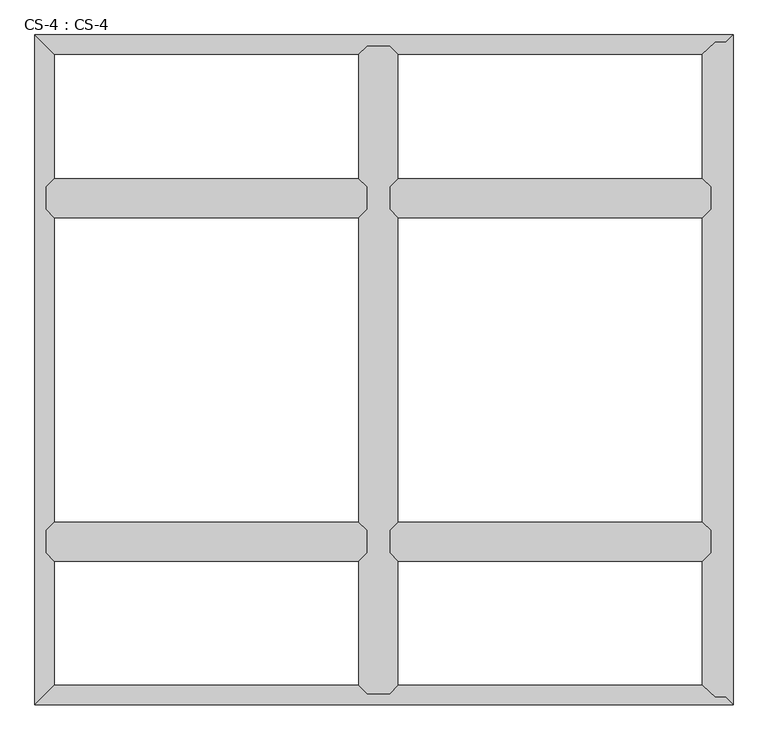
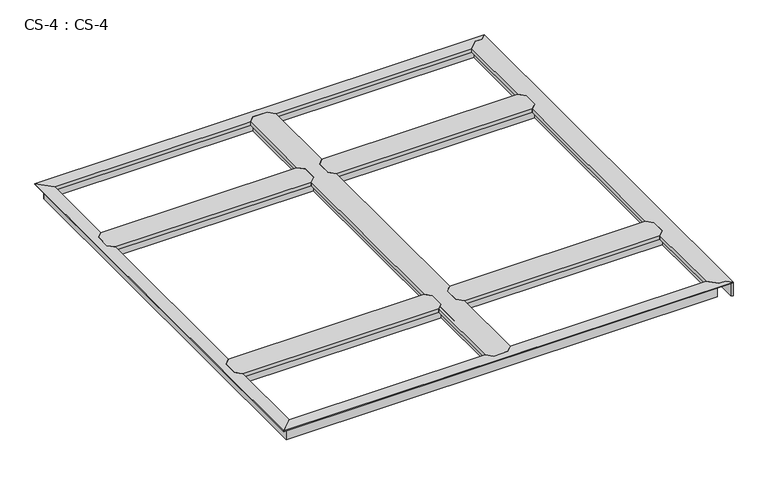
"""IFC4 building model written with IfcOpenShell, lengths in millimetres: proxy geometry, CS-4 : CS-4."""

from ifc_helpers import new_model, si_unit, origin, place, context, project, spatial, faceted_brep, source, transform, mapped, element, save


def cs_4_cs_4_25bfb79a(model_context):
    return source(origin(), model_context, "Body", "Brep", [
        faceted_brep([(1049.02, 1948.18, 46.355), (1049.02, 1948.18, 0.0), (1042.035, 1948.18, 0.0), (1042.035, 1948.18, 63.5), (989.965, 1948.18, 63.5), (989.965, 1948.18, 0.0), (982.98, 1948.18, 0.0), (982.98, 1948.18, 46.355), (982.98, 1948.18, 66.675), (1049.02, 1948.18, 66.675), (982.98, 33.02, 46.355), (982.98, 33.02, 0.0), (989.965, 33.02, 0.0), (989.965, 33.02, 63.5), (1042.035, 33.02, 63.5), (1042.035, 33.02, 0.0), (1049.02, 33.02, 0.0), (1049.02, 33.02, 46.355), (1049.02, 33.02, 66.675), (982.98, 33.02, 66.675), (958.342, 57.658, 49.8094), (958.342, 57.658, 66.675), (958.342, 424.942, 66.675), (958.342, 424.942, 49.8094), (958.342, 1923.542, 66.675), (958.342, 1923.542, 49.8094), (958.342, 1556.258, 49.8094), (958.342, 1556.258, 66.675), (958.342, 540.258, 49.8094), (958.342, 540.258, 66.675), (958.342, 1440.942, 66.675), (958.342, 1440.942, 49.8094), (959.866, 56.134, 49.8094), (959.866, 426.466, 49.8094), (959.866, 1925.066, 49.8094), (959.866, 1554.734, 49.8094), (959.866, 538.734, 49.8094), (959.866, 1442.466, 49.8094), (959.866, 56.134, 64.643), (959.866, 426.466, 64.643), (959.866, 1925.066, 64.643), (959.866, 1554.734, 64.643), (959.866, 538.734, 64.643), (959.866, 1442.466, 64.643), (970.153, 45.847, 64.643), (970.153, 436.753, 64.643), (970.153, 1935.353, 64.643), (970.153, 1544.447, 64.643), (970.153, 528.447, 64.643), (970.153, 1452.753, 64.643), (970.153, 45.847, 46.355), (970.153, 436.753, 46.355), (970.153, 1935.353, 46.355), (970.153, 1544.447, 46.355), (970.153, 528.447, 46.355), (970.153, 1452.753, 46.355), (982.98, 449.58, 46.355), (982.98, 1531.62, 46.355), (982.98, 515.62, 46.355), (982.98, 1465.58, 46.355), (982.98, 449.58, 66.675), (982.98, 515.62, 66.675), (982.98, 1465.58, 66.675), (982.98, 1531.62, 66.675), (1049.02, 1531.62, 46.355), (1049.02, 1531.62, 66.675), (1049.02, 1465.58, 66.675), (1049.02, 1465.58, 46.355), (1049.02, 515.62, 46.355), (1049.02, 515.62, 66.675), (1049.02, 449.58, 66.675), (1049.02, 449.58, 46.355), (1061.847, 45.847, 46.355), (1061.847, 436.753, 46.355), (1061.847, 1935.353, 46.355), (1061.847, 1544.447, 46.355), (1061.847, 528.447, 46.355), (1061.847, 1452.753, 46.355), (1061.847, 45.847, 64.643), (1061.847, 436.753, 64.643), (1061.847, 1935.353, 64.643), (1061.847, 1544.447, 64.643), (1061.847, 528.447, 64.643), (1061.847, 1452.753, 64.643), (1072.134, 56.134, 64.643), (1072.134, 426.466, 64.643), (1072.134, 1925.066, 64.643), (1072.134, 1554.734, 64.643), (1072.134, 538.734, 64.643), (1072.134, 1442.466, 64.643), (1072.134, 56.134, 49.8094), (1072.134, 426.466, 49.8094), (1072.134, 1925.066, 49.8094), (1072.134, 1554.734, 49.8094), (1072.134, 538.734, 49.8094), (1072.134, 1442.466, 49.8094), (1073.658, 57.658, 49.8094), (1073.658, 424.942, 49.8094), (1073.658, 1923.542, 49.8094), (1073.658, 1556.258, 49.8094), (1073.658, 540.258, 49.8094), (1073.658, 1440.942, 49.8094), (1073.658, 57.658, 66.675), (1073.658, 424.942, 66.675), (1073.658, 1923.542, 66.675), (1073.658, 1556.258, 66.675), (1073.658, 540.258, 66.675), (1073.658, 1440.942, 66.675)], [[[0, 1, 2, 3, 4, 5, 6, 7, 8, 9]], [[10, 11, 12, 13, 14, 15, 16, 17, 18, 19]], [[20, 21, 22, 23]], [[24, 25, 26, 27]], [[28, 29, 30, 31]], [[32, 20, 23, 33]], [[25, 34, 35, 26]], [[36, 28, 31, 37]], [[38, 32, 33, 39]], [[34, 40, 41, 35]], [[42, 36, 37, 43]], [[44, 38, 39, 45]], [[40, 46, 47, 41]], [[48, 42, 43, 49]], [[50, 44, 45, 51]], [[46, 52, 53, 47]], [[54, 48, 49, 55]], [[10, 50, 51, 56]], [[52, 7, 57, 53]], [[58, 54, 55, 59]], [[7, 6, 11, 10, 56, 60, 61, 58, 59, 62, 63, 57]], [[6, 5, 12, 11]], [[5, 4, 13, 12]], [[4, 3, 14, 13]], [[3, 2, 15, 14]], [[2, 1, 16, 15]], [[1, 0, 64, 65, 66, 67, 68, 69, 70, 71, 17, 16]], [[72, 17, 71, 73]], [[0, 74, 75, 64]], [[76, 68, 67, 77]], [[78, 72, 73, 79]], [[74, 80, 81, 75]], [[82, 76, 77, 83]], [[84, 78, 79, 85]], [[80, 86, 87, 81]], [[88, 82, 83, 89]], [[90, 84, 85, 91]], [[86, 92, 93, 87]], [[94, 88, 89, 95]], [[96, 90, 91, 97]], [[92, 98, 99, 93]], [[100, 94, 95, 101]], [[102, 96, 97, 103]], [[98, 104, 105, 99]], [[106, 100, 101, 107]], [[9, 8, 24, 27, 63, 62, 30, 29, 61, 60, 22, 21, 19, 18, 102, 103, 70, 69, 106, 107, 66, 65, 105, 104]], [[10, 19, 21, 20, 32, 38, 44, 50]], [[18, 17, 72, 78, 84, 90, 96, 102]], [[0, 9, 104, 98, 92, 86, 80, 74]], [[8, 7, 52, 46, 40, 34, 25, 24]], [[60, 56, 51, 45, 39, 33, 23, 22]], [[58, 61, 29, 28, 36, 42, 48, 54]], [[62, 59, 55, 49, 43, 37, 31, 30]], [[57, 63, 27, 26, 35, 41, 47, 53]], [[69, 68, 76, 82, 88, 94, 100, 106]], [[71, 70, 103, 97, 91, 85, 79, 73]], [[65, 64, 75, 81, 87, 93, 99, 105]], [[67, 66, 107, 101, 95, 89, 83, 77]]]),
        faceted_brep([(1998.98, 449.58, 46.355), (1998.98, 449.58, 0.0), (1998.98, 456.565, 0.0), (1998.98, 456.565, 63.5), (1998.98, 508.635, 63.5), (1998.98, 508.635, 0.0), (1998.98, 515.62, 0.0), (1998.98, 515.62, 46.355), (1998.98, 515.62, 66.675), (1998.98, 449.58, 66.675), (1049.02, 515.62, 46.355), (1049.02, 515.62, 0.0), (1049.02, 508.635, 0.0), (1049.02, 508.635, 63.5), (1049.02, 456.565, 63.5), (1049.02, 456.565, 0.0), (1049.02, 449.58, 0.0), (1049.02, 449.58, 46.355), (1049.02, 449.58, 66.675), (1049.02, 515.62, 66.675), (1073.658, 540.258, 66.675), (1974.342, 540.258, 66.675), (1974.342, 540.258, 49.8094), (1073.658, 540.258, 49.8094), (1975.866, 538.734, 49.8094), (1072.134, 538.734, 49.8094), (1975.866, 538.734, 64.643), (1072.134, 538.734, 64.643), (1986.153, 528.447, 64.643), (1061.847, 528.447, 64.643), (1986.153, 528.447, 46.355), (1061.847, 528.447, 46.355), (1986.153, 436.753, 46.355), (1061.847, 436.753, 46.355), (1986.153, 436.753, 64.643), (1061.847, 436.753, 64.643), (1975.866, 426.466, 64.643), (1072.134, 426.466, 64.643), (1975.866, 426.466, 49.8094), (1072.134, 426.466, 49.8094), (1974.342, 424.942, 49.8094), (1073.658, 424.942, 49.8094), (1974.342, 424.942, 66.675), (1073.658, 424.942, 66.675)], [[[0, 1, 2, 3, 4, 5, 6, 7, 8, 9]], [[10, 11, 12, 13, 14, 15, 16, 17, 18, 19]], [[20, 21, 22, 23]], [[23, 22, 24, 25]], [[25, 24, 26, 27]], [[27, 26, 28, 29]], [[29, 28, 30, 31]], [[7, 10, 31, 30]], [[7, 6, 11, 10]], [[6, 5, 12, 11]], [[5, 4, 13, 12]], [[4, 3, 14, 13]], [[3, 2, 15, 14]], [[2, 1, 16, 15]], [[1, 0, 17, 16]], [[17, 0, 32, 33]], [[33, 32, 34, 35]], [[35, 34, 36, 37]], [[37, 36, 38, 39]], [[39, 38, 40, 41]], [[41, 40, 42, 43]], [[9, 8, 21, 20, 19, 18, 43, 42]], [[10, 19, 20, 23, 25, 27, 29, 31]], [[18, 17, 33, 35, 37, 39, 41, 43]], [[0, 9, 42, 40, 38, 36, 34, 32]], [[8, 7, 30, 28, 26, 24, 22, 21]]]),
        faceted_brep([(1998.98, 1465.58, 46.355), (1998.98, 1465.58, 0.0), (1998.98, 1472.565, 0.0), (1998.98, 1472.565, 63.5), (1998.98, 1524.635, 63.5), (1998.98, 1524.635, 0.0), (1998.98, 1531.62, 0.0), (1998.98, 1531.62, 46.355), (1998.98, 1531.62, 66.675), (1998.98, 1465.58, 66.675), (1049.02, 1531.62, 46.355), (1049.02, 1531.62, 0.0), (1049.02, 1524.635, 0.0), (1049.02, 1524.635, 63.5), (1049.02, 1472.565, 63.5), (1049.02, 1472.565, 0.0), (1049.02, 1465.58, 0.0), (1049.02, 1465.58, 46.355), (1049.02, 1465.58, 66.675), (1049.02, 1531.62, 66.675), (1073.658, 1556.258, 66.675), (1974.342, 1556.258, 66.675), (1974.342, 1556.258, 49.8094), (1073.658, 1556.258, 49.8094), (1975.866, 1554.734, 49.8094), (1072.134, 1554.734, 49.8094), (1975.866, 1554.734, 64.643), (1072.134, 1554.734, 64.643), (1986.153, 1544.447, 64.643), (1061.847, 1544.447, 64.643), (1986.153, 1544.447, 46.355), (1061.847, 1544.447, 46.355), (1986.153, 1452.753, 46.355), (1061.847, 1452.753, 46.355), (1986.153, 1452.753, 64.643), (1061.847, 1452.753, 64.643), (1975.866, 1442.466, 64.643), (1072.134, 1442.466, 64.643), (1975.866, 1442.466, 49.8094), (1072.134, 1442.466, 49.8094), (1974.342, 1440.942, 49.8094), (1073.658, 1440.942, 49.8094), (1974.342, 1440.942, 66.675), (1073.658, 1440.942, 66.675)], [[[0, 1, 2, 3, 4, 5, 6, 7, 8, 9]], [[10, 11, 12, 13, 14, 15, 16, 17, 18, 19]], [[20, 21, 22, 23]], [[23, 22, 24, 25]], [[25, 24, 26, 27]], [[27, 26, 28, 29]], [[29, 28, 30, 31]], [[7, 10, 31, 30]], [[7, 6, 11, 10]], [[6, 5, 12, 11]], [[5, 4, 13, 12]], [[4, 3, 14, 13]], [[3, 2, 15, 14]], [[2, 1, 16, 15]], [[1, 0, 17, 16]], [[17, 0, 32, 33]], [[33, 32, 34, 35]], [[35, 34, 36, 37]], [[37, 36, 38, 39]], [[39, 38, 40, 41]], [[41, 40, 42, 43]], [[9, 8, 21, 20, 19, 18, 43, 42]], [[10, 19, 20, 23, 25, 27, 29, 31]], [[18, 17, 33, 35, 37, 39, 41, 43]], [[0, 9, 42, 40, 38, 36, 34, 32]], [[8, 7, 30, 28, 26, 24, 22, 21]]]),
        faceted_brep([(982.98, 449.58, 46.355), (982.98, 449.58, 0.0), (982.98, 456.565, 0.0), (982.98, 456.565, 63.5), (982.98, 508.635, 63.5), (982.98, 508.635, 0.0), (982.98, 515.62, 0.0), (982.98, 515.62, 46.355), (982.98, 515.62, 66.675), (982.98, 449.58, 66.675), (33.02, 515.62, 46.355), (33.02, 515.62, 0.0), (33.02, 508.635, 0.0), (33.02, 508.635, 63.5), (33.02, 456.565, 63.5), (33.02, 456.565, 0.0), (33.02, 449.58, 0.0), (33.02, 449.58, 46.355), (33.02, 449.58, 66.675), (33.02, 515.62, 66.675), (57.658, 540.258, 66.675), (958.342, 540.258, 66.675), (958.342, 540.258, 49.8094), (57.658, 540.258, 49.8094), (959.866, 538.734, 49.8094), (56.134, 538.734, 49.8094), (959.866, 538.734, 64.643), (56.134, 538.734, 64.643), (970.153, 528.447, 64.643), (45.847, 528.447, 64.643), (970.153, 528.447, 46.355), (45.847, 528.447, 46.355), (970.153, 436.753, 46.355), (45.847, 436.753, 46.355), (970.153, 436.753, 64.643), (45.847, 436.753, 64.643), (959.866, 426.466, 64.643), (56.134, 426.466, 64.643), (959.866, 426.466, 49.8094), (56.134, 426.466, 49.8094), (958.342, 424.942, 49.8094), (57.658, 424.942, 49.8094), (958.342, 424.942, 66.675), (57.658, 424.942, 66.675)], [[[0, 1, 2, 3, 4, 5, 6, 7, 8, 9]], [[10, 11, 12, 13, 14, 15, 16, 17, 18, 19]], [[20, 21, 22, 23]], [[23, 22, 24, 25]], [[25, 24, 26, 27]], [[27, 26, 28, 29]], [[29, 28, 30, 31]], [[7, 10, 31, 30]], [[7, 6, 11, 10]], [[6, 5, 12, 11]], [[5, 4, 13, 12]], [[4, 3, 14, 13]], [[3, 2, 15, 14]], [[2, 1, 16, 15]], [[1, 0, 17, 16]], [[17, 0, 32, 33]], [[33, 32, 34, 35]], [[35, 34, 36, 37]], [[37, 36, 38, 39]], [[39, 38, 40, 41]], [[41, 40, 42, 43]], [[9, 8, 21, 20, 19, 18, 43, 42]], [[10, 19, 20, 23, 25, 27, 29, 31]], [[18, 17, 33, 35, 37, 39, 41, 43]], [[0, 9, 42, 40, 38, 36, 34, 32]], [[8, 7, 30, 28, 26, 24, 22, 21]]]),
        faceted_brep([(982.98, 1465.58, 46.355), (982.98, 1465.58, 0.0), (982.98, 1472.565, 0.0), (982.98, 1472.565, 63.5), (982.98, 1524.635, 63.5), (982.98, 1524.635, 0.0), (982.98, 1531.62, 0.0), (982.98, 1531.62, 46.355), (982.98, 1531.62, 66.675), (982.98, 1465.58, 66.675), (33.02, 1531.62, 46.355), (33.02, 1531.62, 0.0), (33.02, 1524.635, 0.0), (33.02, 1524.635, 63.5), (33.02, 1472.565, 63.5), (33.02, 1472.565, 0.0), (33.02, 1465.58, 0.0), (33.02, 1465.58, 46.355), (33.02, 1465.58, 66.675), (33.02, 1531.62, 66.675), (57.658, 1556.258, 66.675), (958.342, 1556.258, 66.675), (958.342, 1556.258, 49.8094), (57.658, 1556.258, 49.8094), (959.866, 1554.734, 49.8094), (56.134, 1554.734, 49.8094), (959.866, 1554.734, 64.643), (56.134, 1554.734, 64.643), (970.153, 1544.447, 64.643), (45.847, 1544.447, 64.643), (970.153, 1544.447, 46.355), (45.847, 1544.447, 46.355), (970.153, 1452.753, 46.355), (45.847, 1452.753, 46.355), (970.153, 1452.753, 64.643), (45.847, 1452.753, 64.643), (959.866, 1442.466, 64.643), (56.134, 1442.466, 64.643), (959.866, 1442.466, 49.8094), (56.134, 1442.466, 49.8094), (958.342, 1440.942, 49.8094), (57.658, 1440.942, 49.8094), (958.342, 1440.942, 66.675), (57.658, 1440.942, 66.675)], [[[0, 1, 2, 3, 4, 5, 6, 7, 8, 9]], [[10, 11, 12, 13, 14, 15, 16, 17, 18, 19]], [[20, 21, 22, 23]], [[23, 22, 24, 25]], [[25, 24, 26, 27]], [[27, 26, 28, 29]], [[29, 28, 30, 31]], [[7, 10, 31, 30]], [[7, 6, 11, 10]], [[6, 5, 12, 11]], [[5, 4, 13, 12]], [[4, 3, 14, 13]], [[3, 2, 15, 14]], [[2, 1, 16, 15]], [[1, 0, 17, 16]], [[17, 0, 32, 33]], [[33, 32, 34, 35]], [[35, 34, 36, 37]], [[37, 36, 38, 39]], [[39, 38, 40, 41]], [[41, 40, 42, 43]], [[9, 8, 21, 20, 19, 18, 43, 42]], [[10, 19, 20, 23, 25, 27, 29, 31]], [[18, 17, 33, 35, 37, 39, 41, 43]], [[0, 9, 42, 40, 38, 36, 34, 32]], [[8, 7, 30, 28, 26, 24, 22, 21]]]),
        faceted_brep([(0.0, 0.0, 66.675), (2065.02, 0.0, 66.675), (2043.43, 21.59, 66.675), (2011.68, 21.59, 66.675), (1974.342, 57.658, 66.675), (1073.658, 57.658, 66.675), (1049.02, 33.02, 66.675), (982.98, 33.02, 66.675), (958.342, 57.658, 66.675), (57.658, 57.658, 66.675), (0.0, 0.0, 63.5), (2065.02, 0.0, 63.5), (26.035, 26.035, 63.5), (2007.0784859, 26.035, 63.5), (2011.68, 21.59, 63.5), (2043.43, 21.59, 63.5), (2007.0784859, 26.035, 0.0), (26.035, 26.035, 0.0), (33.02, 33.02, 0.0), (1999.8475352, 33.02, 0.0), (1999.8475352, 33.02, 46.355), (33.02, 33.02, 46.355), (982.98, 33.02, 46.355), (1049.02, 33.02, 46.355), (1986.5688803, 45.847, 46.355), (1061.847, 45.847, 46.355), (45.847, 45.847, 46.355), (970.153, 45.847, 46.355), (1986.5688803, 45.847, 64.643), (1061.847, 45.847, 64.643), (45.847, 45.847, 64.643), (970.153, 45.847, 64.643), (1975.919662, 56.134, 64.643), (1072.134, 56.134, 64.643), (56.134, 56.134, 64.643), (959.866, 56.134, 64.643), (1975.919662, 56.134, 49.8094), (1072.134, 56.134, 49.8094), (56.134, 56.134, 49.8094), (959.866, 56.134, 49.8094), (1974.342, 57.658, 49.8094), (1073.658, 57.658, 49.8094), (57.658, 57.658, 49.8094), (958.342, 57.658, 49.8094)], [[[0, 1, 2, 3, 4, 5, 6, 7, 8, 9]], [[1, 0, 10, 11]], [[11, 10, 12, 13, 14, 15]], [[16, 13, 12, 17]], [[18, 19, 16, 17]], [[20, 19, 18, 21, 22, 7, 6, 23]], [[24, 20, 23, 25]], [[21, 26, 27, 22]], [[28, 24, 25, 29]], [[26, 30, 31, 27]], [[32, 28, 29, 33]], [[30, 34, 35, 31]], [[36, 32, 33, 37]], [[34, 38, 39, 35]], [[40, 36, 37, 41]], [[38, 42, 43, 39]], [[4, 40, 41, 5]], [[42, 9, 8, 43]], [[15, 2, 1, 11]], [[3, 14, 13, 16, 19, 20, 24, 28, 32, 36, 40, 4]], [[2, 15, 14, 3]], [[0, 9, 42, 38, 34, 30, 26, 21, 18, 17, 12, 10]], [[7, 22, 27, 31, 35, 39, 43, 8]], [[23, 6, 5, 41, 37, 33, 29, 25]]]),
        faceted_brep([(2065.02, 1981.2, 0.0), (2065.02, 0.0, 0.0), (2058.035, 6.985, 0.0), (2058.035, 1974.215, 0.0), (2058.035, 1974.215, 63.5), (2058.035, 6.985, 63.5), (2043.43, 1959.61, 63.5), (2043.43, 21.59, 63.5), (2011.68, 21.59, 63.5), (2005.965, 27.1106122, 63.5), (2005.965, 1954.0893878, 63.5), (2011.68, 1959.61, 63.5), (2005.965, 1954.0893878, 0.0), (2005.965, 27.1106122, 0.0), (1998.98, 33.8580272, 0.0), (1998.98, 1947.3419728, 0.0), (1998.98, 1947.3419728, 46.355), (1998.98, 33.8580272, 46.355), (1998.98, 449.58, 46.355), (1998.98, 449.58, 66.675), (1998.98, 515.62, 66.675), (1998.98, 515.62, 46.355), (1998.98, 1465.58, 46.355), (1998.98, 1465.58, 66.675), (1998.98, 1531.62, 66.675), (1998.98, 1531.62, 46.355), (1986.153, 1934.9512653, 46.355), (1986.153, 1544.447, 46.355), (1986.153, 46.2487347, 46.355), (1986.153, 436.753, 46.355), (1986.153, 1452.753, 46.355), (1986.153, 528.447, 46.355), (1986.153, 1934.9512653, 63.5), (1986.153, 1544.447, 63.5), (1986.153, 46.2487347, 63.5), (1986.153, 436.753, 63.5), (1986.153, 1452.753, 63.5), (1986.153, 528.447, 63.5), (1975.866, 1925.0141633, 63.5), (1975.866, 1554.734, 63.5), (1975.866, 56.1858367, 63.5), (1975.866, 426.466, 63.5), (1975.866, 1442.466, 63.5), (1975.866, 538.734, 63.5), (1975.866, 1925.0141633, 49.8094), (1975.866, 1554.734, 49.8094), (1975.866, 56.1858367, 49.8094), (1975.866, 426.466, 49.8094), (1975.866, 1442.466, 49.8094), (1975.866, 538.734, 49.8094), (1974.342, 1923.542, 49.8094), (1974.342, 1556.258, 49.8094), (1974.342, 57.658, 49.8094), (1974.342, 424.942, 49.8094), (1974.342, 1440.942, 49.8094), (1974.342, 540.258, 49.8094), (1974.342, 1923.542, 66.675), (1974.342, 1556.258, 66.675), (1974.342, 57.658, 66.675), (1974.342, 424.942, 66.675), (1974.342, 1440.942, 66.675), (1974.342, 540.258, 66.675), (2065.02, 0.0, 66.675), (2065.02, 1981.2, 66.675), (2043.43, 1959.61, 66.675), (2011.68, 1959.61, 66.675), (2011.68, 21.59, 66.675), (2043.43, 21.59, 66.675)], [[[0, 1, 2, 3]], [[4, 3, 2, 5]], [[6, 4, 5, 7, 8, 9, 10, 11]], [[12, 10, 9, 13]], [[14, 15, 12, 13]], [[16, 15, 14, 17, 18, 19, 20, 21, 22, 23, 24, 25]], [[26, 16, 25, 27]], [[17, 28, 29, 18]], [[30, 22, 21, 31]], [[32, 26, 27, 33]], [[28, 34, 35, 29]], [[36, 30, 31, 37]], [[38, 32, 33, 39]], [[34, 40, 41, 35]], [[42, 36, 37, 43]], [[44, 38, 39, 45]], [[40, 46, 47, 41]], [[48, 42, 43, 49]], [[50, 44, 45, 51]], [[46, 52, 53, 47]], [[54, 48, 49, 55]], [[56, 50, 51, 57]], [[52, 58, 59, 53]], [[60, 54, 55, 61]], [[62, 63, 64, 65, 56, 57, 24, 23, 60, 61, 20, 19, 59, 58, 66, 67]], [[1, 0, 63, 62]], [[6, 64, 63, 0, 3, 4]], [[65, 11, 10, 12, 15, 16, 26, 32, 38, 44, 50, 56]], [[64, 6, 11, 65]], [[7, 67, 66, 8]], [[8, 66, 58, 52, 46, 40, 34, 28, 17, 14, 13, 9]], [[67, 7, 5, 2, 1, 62]], [[23, 22, 30, 36, 42, 48, 54, 60]], [[25, 24, 57, 51, 45, 39, 33, 27]], [[19, 18, 29, 35, 41, 47, 53, 59]], [[21, 20, 61, 55, 49, 43, 37, 31]]]),
        faceted_brep([(2065.02, 1981.2, 66.675), (0.0, 1981.2, 66.675), (57.658, 1923.542, 66.675), (958.342, 1923.542, 66.675), (982.98, 1948.18, 66.675), (1049.02, 1948.18, 66.675), (1073.658, 1923.542, 66.675), (1974.342, 1923.542, 66.675), (2011.68, 1959.61, 66.675), (2043.43, 1959.61, 66.675), (2065.02, 1981.2, 63.5), (0.0, 1981.2, 63.5), (2043.43, 1959.61, 63.5), (2011.68, 1959.61, 63.5), (2007.0784859, 1955.165, 63.5), (26.035, 1955.165, 63.5), (26.035, 1955.165, 0.0), (2007.0784859, 1955.165, 0.0), (1999.8475352, 1948.18, 0.0), (33.02, 1948.18, 0.0), (33.02, 1948.18, 46.355), (1999.8475352, 1948.18, 46.355), (1049.02, 1948.18, 46.355), (982.98, 1948.18, 46.355), (45.847, 1935.353, 46.355), (970.153, 1935.353, 46.355), (1986.5688803, 1935.353, 46.355), (1061.847, 1935.353, 46.355), (45.847, 1935.353, 64.643), (970.153, 1935.353, 64.643), (1986.5688803, 1935.353, 64.643), (1061.847, 1935.353, 64.643), (56.134, 1925.066, 64.643), (959.866, 1925.066, 64.643), (1975.919662, 1925.066, 64.643), (1072.134, 1925.066, 64.643), (56.134, 1925.066, 49.8094), (959.866, 1925.066, 49.8094), (1975.919662, 1925.066, 49.8094), (1072.134, 1925.066, 49.8094), (57.658, 1923.542, 49.8094), (958.342, 1923.542, 49.8094), (1974.342, 1923.542, 49.8094), (1073.658, 1923.542, 49.8094)], [[[0, 1, 2, 3, 4, 5, 6, 7, 8, 9]], [[1, 0, 10, 11]], [[11, 10, 12, 13, 14, 15]], [[16, 15, 14, 17]], [[18, 19, 16, 17]], [[20, 19, 18, 21, 22, 5, 4, 23]], [[24, 20, 23, 25]], [[21, 26, 27, 22]], [[28, 24, 25, 29]], [[26, 30, 31, 27]], [[32, 28, 29, 33]], [[30, 34, 35, 31]], [[36, 32, 33, 37]], [[34, 38, 39, 35]], [[40, 36, 37, 41]], [[38, 42, 43, 39]], [[2, 40, 41, 3]], [[42, 7, 6, 43]], [[2, 1, 11, 15, 16, 19, 20, 24, 28, 32, 36, 40]], [[12, 9, 8, 13]], [[13, 8, 7, 42, 38, 34, 30, 26, 21, 18, 17, 14]], [[9, 12, 10, 0]], [[5, 22, 27, 31, 35, 39, 43, 6]], [[23, 4, 3, 41, 37, 33, 29, 25]]]),
        faceted_brep([(0.0, 1981.2, 66.675), (0.0, 0.0, 66.675), (57.658, 57.658, 66.675), (57.658, 424.942, 66.675), (33.02, 449.58, 66.675), (33.02, 515.62, 66.675), (57.658, 540.258, 66.675), (57.658, 1440.942, 66.675), (33.02, 1465.58, 66.675), (33.02, 1531.62, 66.675), (57.658, 1556.258, 66.675), (57.658, 1923.542, 66.675), (0.0, 1981.2, 63.5), (0.0, 0.0, 63.5), (26.035, 1955.165, 63.5), (26.035, 26.035, 63.5), (26.035, 26.035, 0.0), (26.035, 1955.165, 0.0), (33.02, 1948.18, 0.0), (33.02, 33.02, 0.0), (33.02, 33.02, 46.355), (33.02, 1948.18, 46.355), (33.02, 1531.62, 46.355), (33.02, 1465.58, 46.355), (33.02, 515.62, 46.355), (33.02, 449.58, 46.355), (45.847, 45.847, 46.355), (45.847, 436.753, 46.355), (45.847, 1935.353, 46.355), (45.847, 1544.447, 46.355), (45.847, 528.447, 46.355), (45.847, 1452.753, 46.355), (45.847, 45.847, 64.643), (45.847, 436.753, 64.643), (45.847, 1935.353, 64.643), (45.847, 1544.447, 64.643), (45.847, 528.447, 64.643), (45.847, 1452.753, 64.643), (56.134, 56.134, 64.643), (56.134, 426.466, 64.643), (56.134, 1925.066, 64.643), (56.134, 1554.734, 64.643), (56.134, 538.734, 64.643), (56.134, 1442.466, 64.643), (56.134, 56.134, 49.8094), (56.134, 426.466, 49.8094), (56.134, 1925.066, 49.8094), (56.134, 1554.734, 49.8094), (56.134, 538.734, 49.8094), (56.134, 1442.466, 49.8094), (57.658, 57.658, 49.8094), (57.658, 424.942, 49.8094), (57.658, 1923.542, 49.8094), (57.658, 1556.258, 49.8094), (57.658, 540.258, 49.8094), (57.658, 1440.942, 49.8094)], [[[0, 1, 2, 3, 4, 5, 6, 7, 8, 9, 10, 11]], [[1, 0, 12, 13]], [[13, 12, 14, 15]], [[16, 15, 14, 17]], [[18, 19, 16, 17]], [[20, 19, 18, 21, 22, 9, 8, 23, 24, 5, 4, 25]], [[26, 20, 25, 27]], [[21, 28, 29, 22]], [[30, 24, 23, 31]], [[32, 26, 27, 33]], [[28, 34, 35, 29]], [[36, 30, 31, 37]], [[38, 32, 33, 39]], [[34, 40, 41, 35]], [[42, 36, 37, 43]], [[44, 38, 39, 45]], [[40, 46, 47, 41]], [[48, 42, 43, 49]], [[50, 44, 45, 51]], [[46, 52, 53, 47]], [[54, 48, 49, 55]], [[2, 50, 51, 3]], [[52, 11, 10, 53]], [[6, 54, 55, 7]], [[2, 1, 13, 15, 16, 19, 20, 26, 32, 38, 44, 50]], [[0, 11, 52, 46, 40, 34, 28, 21, 18, 17, 14, 12]], [[5, 24, 30, 36, 42, 48, 54, 6]], [[25, 4, 3, 51, 45, 39, 33, 27]], [[9, 22, 29, 35, 41, 47, 53, 10]], [[23, 8, 7, 55, 49, 43, 37, 31]]]),
    ])


if __name__ == "__main__":
    model = new_model("IFC4")
    model_context = context("Model", 3, world=origin())
    ifc_project = project(units=[si_unit("LENGTHUNIT", "METRE", prefix="MILLI")], contexts=[model_context])
    site = spatial("IfcSite", under=ifc_project)
    building = spatial("IfcBuilding", under=site)
    placement = place(None, origin())
    cs_4_cs_4_shape = cs_4_cs_4_25bfb79a(model_context)
    element("IfcBuildingElementProxy", 1, Name="CS-4 : CS-4", ObjectType="CS-4 : CS-4", at=placement, inside=building, context=model_context, shape_type="MappedRepresentation", body=[
        mapped(cs_4_cs_4_shape, transform((0.0, 0.0, 0.0), x_axis=(1.0, 0.0, 0.0), y_axis=(0.0, 1.0, 0.0), z_axis=(0.0, 0.0, 1.0))),
    ])
    save(model, "model.ifc")
